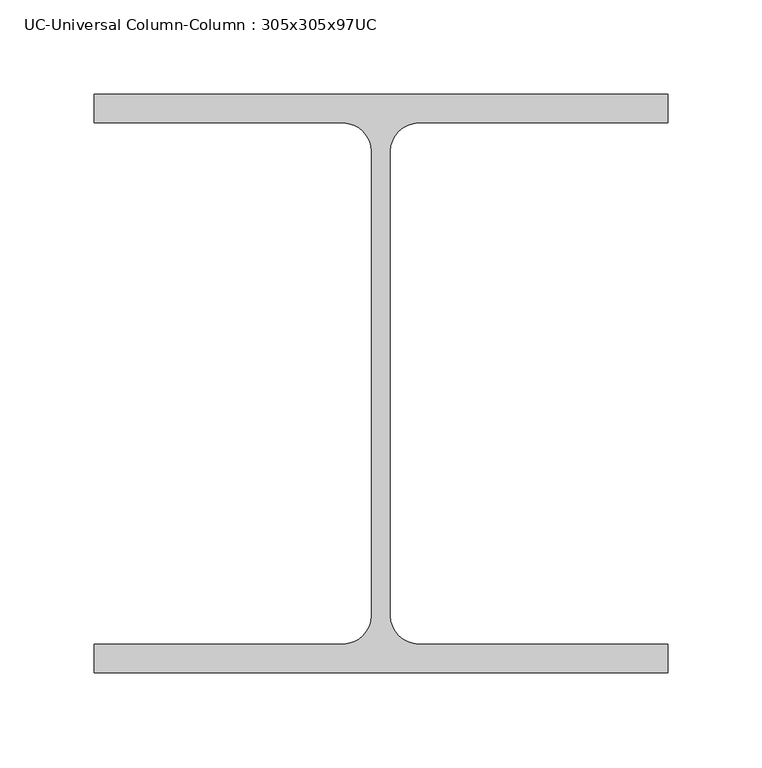
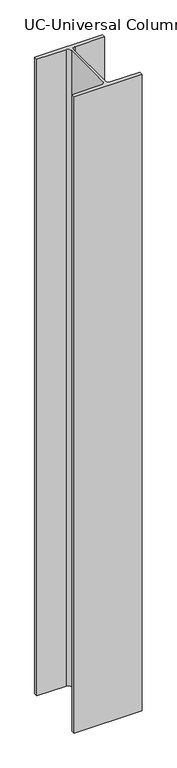
"""IFC4 building model written with IfcOpenShell, lengths in millimetres: column geometry, UC-Universal Column-Column : 305x305x97UC."""

import ifcopenshell
import ifcopenshell.guid

model = None  # the IFC model being written
_history = None  # IfcOwnerHistory: only IFC2X3 demands one
_inside = {}  # id of a spatial element -> (the spatial element, [elements in it])
_under = {}  # id of a project, library or spatial element -> (it, [spatial elements below it])
_declared = {}  # id of a project -> (the project, [libraries it declares])
_typed = {}  # id of a type object -> (the type object, [elements of that type])
_made_of = {}  # id of a material, layer set ... -> (it, [elements and type objects made of it])


def new_model(schema):
    """Start an empty IFC model of exactly this schema.

    Asked for "IFC4X3", IfcOpenShell would pick the latest addendum, in which some entities
    have other attributes; the version numbers below select the first issue.
    IFC2X3 requires an IfcOwnerHistory on every rooted entity: one is made here for all.
    """
    global model, _history
    if schema == "IFC4X3":
        model = ifcopenshell.file(schema_version=(4, 3, 0, 0))
    else:
        model = ifcopenshell.file(schema=schema)
    _inside.clear()
    _under.clear()
    _declared.clear()
    _typed.clear()
    _made_of.clear()
    _history = None
    if model.schema == "IFC2X3":
        org = make("IfcOrganization", Name="unknown")
        user = make(
            "IfcPersonAndOrganization",
            ThePerson=make("IfcPerson", FamilyName="unknown"),
            TheOrganization=org,
        )
        app = make(
            "IfcApplication",
            ApplicationDeveloper=org,
            Version="unknown",
            ApplicationFullName="unknown",
            ApplicationIdentifier="unknown",
        )
        _history = make(
            "IfcOwnerHistory",
            OwningUser=user,
            OwningApplication=app,
            ChangeAction="ADDED",
            CreationDate=0,
        )
    return model


def make(cls, **values):
    """One entity of the class cls with the attributes given. An attribute that is None is left unset."""
    return model.create_entity(
        cls, **{name: value for name, value in values.items() if value is not None}
    )


def rooted(cls, **values):
    """An entity with a GlobalId (a new one), such as an element, a storey or a relation."""
    return make(cls, GlobalId=ifcopenshell.guid.new(), OwnerHistory=_history, **values)


def si_unit(unit_type, name, prefix=None):
    """IfcSIUnit, for example si_unit("LENGTHUNIT", "METRE", prefix="MILLI")."""
    return make("IfcSIUnit", UnitType=unit_type, Prefix=prefix, Name=name)


def assignment(units):
    """IfcUnitAssignment: the units of a project."""
    return None if units is None else make("IfcUnitAssignment", Units=units)


def point(xyz):
    """IfcCartesianPoint."""
    return None if xyz is None else make("IfcCartesianPoint", Coordinates=xyz)


def direction(xyz):
    """IfcDirection."""
    return None if xyz is None else make("IfcDirection", DirectionRatios=xyz)


def frame(location, z_axis=None, x_axis=None):
    """IfcAxis2Placement3D, a coordinate frame: its origin and axes. An axis left out is left unset."""
    return make(
        "IfcAxis2Placement3D",
        Location=point(location),
        Axis=direction(z_axis),
        RefDirection=direction(x_axis),
    )


def frame_2d(location, x_axis=None):
    """IfcAxis2Placement2D, a coordinate frame in the plane: its origin and x axis."""
    return make(
        "IfcAxis2Placement2D", Location=point(location), RefDirection=direction(x_axis)
    )


def origin():
    """The frame at (0, 0, 0) with its axes left unset."""
    return frame((0.0, 0.0, 0.0))


def place(relative_to, where):
    """IfcLocalPlacement: puts the frame where relative to a parent placement (None: the world)."""
    return make(
        "IfcLocalPlacement", PlacementRelTo=relative_to, RelativePlacement=where
    )


def context(
    kind, dimensions, precision=None, world=None, true_north=None, identifier=None
):
    """IfcGeometricRepresentationContext, for example the 3D "Model" context."""
    return make(
        "IfcGeometricRepresentationContext",
        ContextIdentifier=identifier,
        ContextType=kind,
        CoordinateSpaceDimension=dimensions,
        Precision=precision,
        WorldCoordinateSystem=world,
        TrueNorth=true_north,
    )


def project(units=None, contexts=None):
    """IfcProject with its units and contexts."""
    return rooted(
        "IfcProject",
        Name="project",
        RepresentationContexts=contexts,
        UnitsInContext=assignment(units),
    )


def spatial(cls, under=None, at=None, **own):
    """A site, building, storey or space (cls), placed at a placement, below another one or the project."""
    s = rooted(cls, ObjectPlacement=at, **own)
    if under is not None:
        _under.setdefault(under.id(), (under, []))[1].append(s)
    return s


def polyline(points):
    """IfcPolyline through the points."""
    return make("IfcPolyline", Points=[point(p) for p in points])


def circle_curve(where, radius):
    """IfcCircle in the frame where."""
    return make("IfcCircle", Position=where, Radius=radius)


def trimmed(basis, trim1, trim2, sense, master):
    """IfcTrimmedCurve: the piece of a basis curve between two trims."""
    return make(
        "IfcTrimmedCurve",
        BasisCurve=basis,
        Trim1=trim1,
        Trim2=trim2,
        SenseAgreement=sense,
        MasterRepresentation=master,
    )


def segment(curve, same_sense, transition):
    """IfcCompositeCurveSegment."""
    return make(
        "IfcCompositeCurveSegment",
        Transition=transition,
        SameSense=same_sense,
        ParentCurve=curve,
    )


def composite_curve(segments, self_intersect=None):
    """IfcCompositeCurve: segments joined end to end."""
    return make("IfcCompositeCurve", Segments=segments, SelfIntersect=self_intersect)


def outline(outer, holes=None, kind="AREA"):
    """IfcArbitraryClosedProfileDef: a profile drawn as a closed curve; with holes, ...WithVoids."""
    if holes is None:
        return make("IfcArbitraryClosedProfileDef", ProfileType=kind, OuterCurve=outer)
    return make(
        "IfcArbitraryProfileDefWithVoids",
        ProfileType=kind,
        OuterCurve=outer,
        InnerCurves=holes,
    )


def extrude(swept, where, along, depth):
    """IfcExtrudedAreaSolid: the profile swept, set in the frame where, extruded along a direction by depth."""
    return make(
        "IfcExtrudedAreaSolid",
        SweptArea=swept,
        Position=where,
        ExtrudedDirection=direction(along),
        Depth=depth,
    )


def shape(context_of_items, identifier, shape_type, items):
    """IfcShapeRepresentation: the items that make up one representation, for example the "Body"."""
    return make(
        "IfcShapeRepresentation",
        ContextOfItems=context_of_items,
        RepresentationIdentifier=identifier,
        RepresentationType=shape_type,
        Items=items,
    )


def source(mapping_origin, context_of_items, identifier, shape_type, items):
    """IfcRepresentationMap: a shape defined once, which mapped items show again and again."""
    return make(
        "IfcRepresentationMap",
        MappingOrigin=mapping_origin,
        MappedRepresentation=shape(context_of_items, identifier, shape_type, items),
    )


def transform(
    local_origin,
    x_axis=None,
    y_axis=None,
    z_axis=None,
    scale=None,
    scale2=None,
    scale3=None,
    uniform=True,
):
    """IfcCartesianTransformationOperator3D, or its non-uniform kind. x_axis, y_axis, z_axis: its Axis1, 2, 3."""
    if uniform:
        return make(
            "IfcCartesianTransformationOperator3D",
            Axis1=direction(x_axis),
            Axis2=direction(y_axis),
            LocalOrigin=point(local_origin),
            Scale=scale,
            Axis3=direction(z_axis),
        )
    return make(
        "IfcCartesianTransformationOperator3DnonUniform",
        Axis1=direction(x_axis),
        Axis2=direction(y_axis),
        LocalOrigin=point(local_origin),
        Scale=scale,
        Axis3=direction(z_axis),
        Scale2=scale2,
        Scale3=scale3,
    )


def mapped(mapping_source, mapping_target):
    """IfcMappedItem: shows the shape of a source again, moved by a transform."""
    return make(
        "IfcMappedItem", MappingSource=mapping_source, MappingTarget=mapping_target
    )


def made_of(thing, what):
    """Note that an element or type object is made of a material, layer set ...; save() writes the relation."""
    if what is not None:
        _made_of.setdefault(what.id(), (what, []))[1].append(thing)
    return thing


def element(
    cls,
    number,
    at=None,
    inside=None,
    cuts=None,
    type_object=None,
    material=None,
    context=None,
    identifier="Body",
    shape_type=None,
    held_by="IfcProductDefinitionShape",
    body=None,
    shapes=None,
    **own,
):
    """One element of the class cls, such as IfcWall. Its Tag is "e" and its number.

    at: its placement. inside: the storey or other place that contains it. cuts: it is an
    opening in that element (IfcRelVoidsElement). A single representation is given by context,
    identifier, shape_type and body (its items); several are given by shapes. held_by: the class
    of the entity that holds the representations. save() writes the other relations.
    """
    e = rooted(cls, Tag="e%d" % number, ObjectPlacement=at, **own)
    if body is not None:
        shapes = [shape(context, identifier, shape_type, body)]
    if shapes is not None:
        e.Representation = make(held_by, Representations=shapes)
    if inside is not None:
        _inside.setdefault(inside.id(), (inside, []))[1].append(e)
    if cuts is not None:
        rooted(
            "IfcRelVoidsElement", RelatingBuildingElement=cuts, RelatedOpeningElement=e
        )
    if type_object is not None:
        _typed.setdefault(type_object.id(), (type_object, []))[1].append(e)
    return made_of(e, material)


def aggregate(whole, parts):
    """IfcRelAggregates: a whole, such as a stair, and the parts it consists of."""
    return rooted("IfcRelAggregates", RelatingObject=whole, RelatedObjects=parts)


def save(model, path):
    """Write the relations noted so far, then the file.

    IfcRelAggregates (storeys below a building ...), IfcRelContainedInSpatialStructure (elements
    in a storey), IfcRelDefinesByType, IfcRelAssociatesMaterial and IfcRelDeclares: one each for
    every whole, place, type object, material and project.
    """
    for whole, parts in _under.values():
        aggregate(whole, parts)
    for where, things in _inside.values():
        rooted(
            "IfcRelContainedInSpatialStructure",
            RelatedElements=things,
            RelatingStructure=where,
        )
    for kind, things in _typed.values():
        rooted("IfcRelDefinesByType", RelatedObjects=things, RelatingType=kind)
    for what, things in _made_of.values():
        rooted("IfcRelAssociatesMaterial", RelatedObjects=things, RelatingMaterial=what)
    for by, libraries in _declared.values():
        rooted("IfcRelDeclares", RelatingContext=by, RelatedDefinitions=libraries)
    model.write(path)


def uc_universal_column_column_305x305x97uc_8f078f2a(model_context):
    return source(origin(), model_context, "Body", "SweptSolid", [
        extrude(outline(composite_curve([segment(polyline([(152.65, 153.95), (152.65, 138.55), (20.15, 138.55)]), True, "CONTINUOUS"), segment(trimmed(circle_curve(frame_2d((20.15, 123.35)), 15.2), [point((20.15, 138.55))], [point((4.95, 123.35))], True, "CARTESIAN"), True, "CONTINUOUS"), segment(polyline([(4.95, 123.35), (4.95, -123.35)]), True, "CONTINUOUS"), segment(trimmed(circle_curve(frame_2d((20.15, -123.35)), 15.2), [point((4.95, -123.35))], [point((20.15, -138.55))], True, "CARTESIAN"), True, "CONTINUOUS"), segment(polyline([(20.15, -138.55), (152.65, -138.55), (152.65, -153.95), (-152.65, -153.95), (-152.65, -138.55), (-20.15, -138.55)]), True, "CONTINUOUS"), segment(trimmed(circle_curve(frame_2d((-20.15, -123.35)), 15.2), [point((-20.15, -138.55))], [point((-4.95, -123.35))], True, "CARTESIAN"), True, "CONTINUOUS"), segment(polyline([(-4.95, -123.35), (-4.95, 123.35)]), True, "CONTINUOUS"), segment(trimmed(circle_curve(frame_2d((-20.15, 123.35)), 15.2), [point((-4.95, 123.35))], [point((-20.15, 138.55))], True, "CARTESIAN"), True, "CONTINUOUS"), segment(polyline([(-20.15, 138.55), (-152.65, 138.55), (-152.65, 153.95), (152.65, 153.95)]), True, "CONTINUOUS")], self_intersect=False)), frame((0.0, 0.0, 12962.0), z_axis=(0.0, 0.0, 1.0), x_axis=(1.0, 0.0, 0.0)), (0.0, 0.0, 1.0), 3026.3865284),
    ])


if __name__ == "__main__":
    model = new_model("IFC4")
    model_context = context("Model", 3, world=origin())
    ifc_project = project(units=[si_unit("LENGTHUNIT", "METRE", prefix="MILLI")], contexts=[model_context])
    site = spatial("IfcSite", under=ifc_project)
    building = spatial("IfcBuilding", under=site)
    placement = place(None, origin())
    uc_universal_column_column_305x305x97uc_shape = uc_universal_column_column_305x305x97uc_8f078f2a(model_context)
    element("IfcColumn", 1, ObjectType="UC-Universal Column-Column : 305x305x97UC", at=placement, inside=building, context=model_context, shape_type="MappedRepresentation", body=[
        mapped(uc_universal_column_column_305x305x97uc_shape, transform((0.0, 0.0, 0.0), x_axis=(1.0, 0.0, 0.0), y_axis=(0.0, 1.0, 0.0), z_axis=(0.0, 0.0, 1.0))),
    ])
    save(model, "model.ifc")
